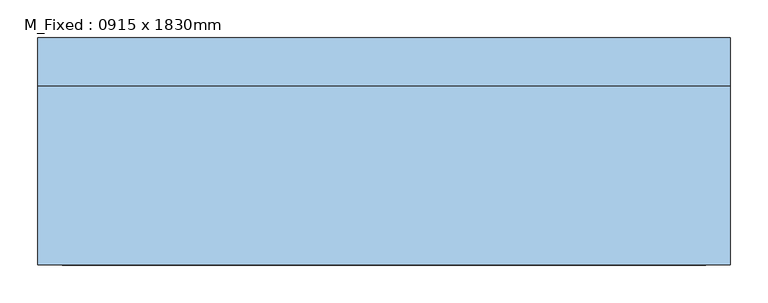
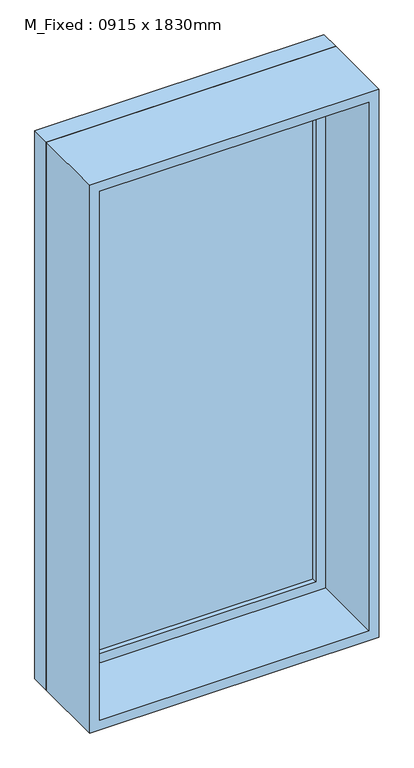
"""IFC4 building model written with IfcOpenShell, lengths in millimetres: window geometry, M_Fixed : 0915 x 1830mm."""

from ifc_helpers import new_model, si_unit, frame, origin, place, context, project, spatial, polyline, outline, extrude, source, transform, mapped, element, save


def m_fixed_0915_x_1830mm_2a137b51(model_context):
    return source(origin(), model_context, "Body", "SweptSolid", [
        extrude(outline(polyline([(-394.5, 128.0), (394.5, 128.0), (394.5, 116.0), (-394.5, 116.0), (-394.5, 128.0)])), frame((0.0, 0.0, 368.0), z_axis=(0.0, 0.0, 1.0), x_axis=(1.0, 0.0, 0.0)), (0.0, 0.0, 1.0), 1704.0),
        extrude(outline(polyline([(2116.0, -438.5), (324.0, -438.5), (324.0, 438.5), (2116.0, 438.5), (2116.0, -438.5)]), holes=[polyline([(2072.0, -394.5), (2072.0, 394.5), (368.0, 394.5), (368.0, -394.5), (2072.0, -394.5)])]), frame((0.0, 100.0, 0.0), z_axis=(0.0, 1.0, 0.0), x_axis=(0.0, 0.0, 1.0)), (0.0, 0.0, 1.0), 44.0),
        extrude(outline(polyline([(2135.0, -457.5), (305.0, -457.5), (305.0, 457.5), (2135.0, 457.5), (2135.0, -457.5)]), holes=[polyline([(2116.0, -438.5), (2116.0, 438.5), (324.0, 438.5), (324.0, -438.5), (2116.0, -438.5)])]), frame((0.0, 100.0, 0.0), z_axis=(0.0, 1.0, 0.0), x_axis=(0.0, 0.0, 1.0)), (0.0, 0.0, 1.0), 63.0),
        extrude(outline(polyline([(2135.0, -457.5), (305.0, -457.5), (305.0, 457.5), (2135.0, 457.5), (2135.0, -457.5)]), holes=[polyline([(2103.0, -425.5), (2103.0, 425.5), (337.0, 425.5), (337.0, -425.5), (2103.0, -425.5)])]), frame((0.0, -137.0, 0.0), z_axis=(0.0, 1.0, 0.0), x_axis=(0.0, 0.0, 1.0)), (0.0, 0.0, 1.0), 237.0),
    ])


if __name__ == "__main__":
    model = new_model("IFC4")
    model_context = context("Model", 3, world=origin())
    ifc_project = project(units=[si_unit("LENGTHUNIT", "METRE", prefix="MILLI")], contexts=[model_context])
    site = spatial("IfcSite", under=ifc_project)
    building = spatial("IfcBuilding", under=site)
    placement = place(None, origin())
    m_fixed_0915_x_1830mm_shape = m_fixed_0915_x_1830mm_2a137b51(model_context)
    element("IfcWindow", 1, ObjectType="M_Fixed : 0915 x 1830mm", at=placement, inside=building, context=model_context, shape_type="MappedRepresentation", body=[
        mapped(m_fixed_0915_x_1830mm_shape, transform((0.0, 0.0, 0.0), x_axis=(1.0, 0.0, 0.0), y_axis=(0.0, 1.0, 0.0), z_axis=(0.0, 0.0, 1.0))),
    ])
    save(model, "model.ifc")
